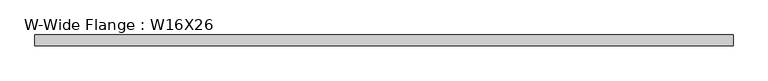
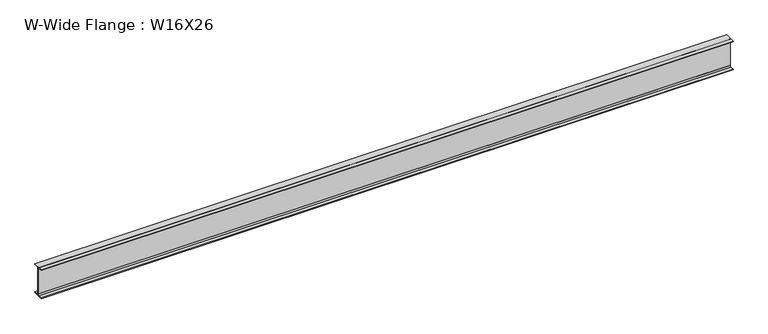
"""IFC4 building model written with IfcOpenShell, lengths in millimetres: beam geometry, W-Wide Flange : W16X26."""

from ifc_helpers import new_model, si_unit, point, frame, frame_2d, origin, place, context, project, spatial, polyline, circle_curve, trimmed, segment, composite_curve, outline, extrude, source, transform, mapped, element, save


def w_wide_flange_w16x26_606d730d(model_context):
    return source(origin(), model_context, "Body", "SweptSolid", [
        extrude(outline(composite_curve([segment(polyline([(69.85, -190.5496094), (69.85, -199.2808594), (-69.85, -199.2808594), (-69.85, -190.5496094), (-21.43125, -190.5496094)]), True, "CONTINUOUS"), segment(trimmed(circle_curve(frame_2d((-21.43125, -172.2933594)), 18.25625), [point((-21.43125, -190.5496094))], [point((-3.175, -172.2933594))], True, "CARTESIAN"), True, "CONTINUOUS"), segment(polyline([(-3.175, -172.2933594), (-3.175, 172.2933594)]), True, "CONTINUOUS"), segment(trimmed(circle_curve(frame_2d((-21.43125, 172.2933594)), 18.25625), [point((-3.175, 172.2933594))], [point((-21.43125, 190.5496094))], True, "CARTESIAN"), True, "CONTINUOUS"), segment(polyline([(-21.43125, 190.5496094), (-69.85, 190.5496094), (-69.85, 199.2808594), (69.85, 199.2808594), (69.85, 190.5496094), (21.43125, 190.5496094)]), True, "CONTINUOUS"), segment(trimmed(circle_curve(frame_2d((21.43125, 172.2933594)), 18.25625), [point((21.43125, 190.5496094))], [point((3.175, 172.2933594))], True, "CARTESIAN"), True, "CONTINUOUS"), segment(polyline([(3.175, 172.2933594), (3.175, -172.2933594)]), True, "CONTINUOUS"), segment(trimmed(circle_curve(frame_2d((21.43125, -172.2933594)), 18.25625), [point((3.175, -172.2933594))], [point((21.43125, -190.5496094))], True, "CARTESIAN"), True, "CONTINUOUS"), segment(polyline([(21.43125, -190.5496094), (69.85, -190.5496094)]), True, "CONTINUOUS")], self_intersect=False)), frame((-4496.196875, 0.0, 0.0), z_axis=(1.0, 0.0, 0.0), x_axis=(0.0, 1.0, 0.0)), (0.0, 0.0, 1.0), 9030.096875),
    ])


if __name__ == "__main__":
    model = new_model("IFC4")
    model_context = context("Model", 3, world=origin())
    ifc_project = project(units=[si_unit("LENGTHUNIT", "METRE", prefix="MILLI")], contexts=[model_context])
    site = spatial("IfcSite", under=ifc_project)
    building = spatial("IfcBuilding", under=site)
    placement = place(None, origin())
    w_wide_flange_w16x26_shape = w_wide_flange_w16x26_606d730d(model_context)
    element("IfcBeam", 1, ObjectType="W-Wide Flange : W16X26", at=placement, inside=building, context=model_context, shape_type="MappedRepresentation", body=[
        mapped(w_wide_flange_w16x26_shape, transform((0.0, 0.0, 0.0), x_axis=(1.0, 0.0, 0.0), y_axis=(0.0, 1.0, 0.0), z_axis=(0.0, 0.0, 1.0))),
    ])
    save(model, "model.ifc")
